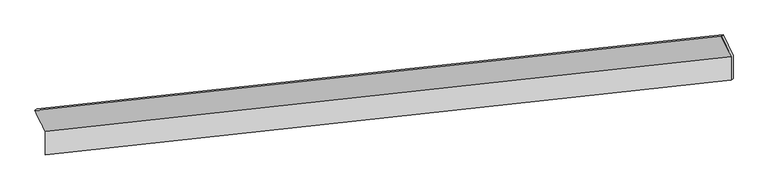
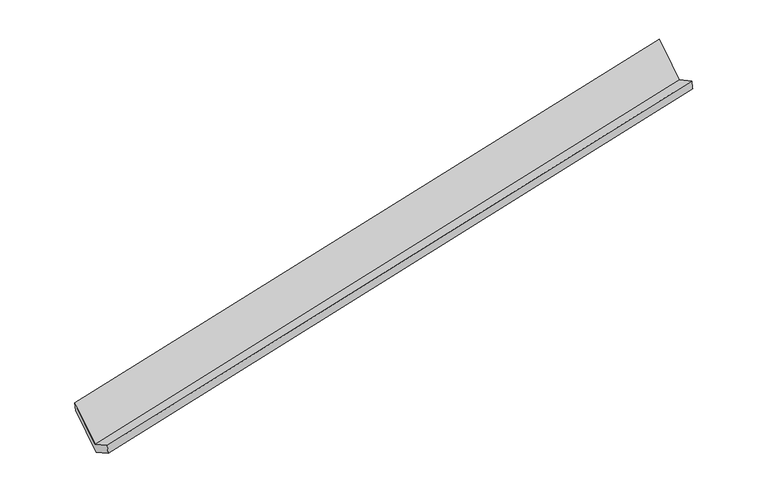
"""IFC4 building model written with IfcOpenShell, lengths in millimetres: proxy geometry."""

import ifcopenshell
import ifcopenshell.guid

model = None  # the IFC model being written
_history = None  # IfcOwnerHistory: only IFC2X3 demands one
_inside = {}  # id of a spatial element -> (the spatial element, [elements in it])
_under = {}  # id of a project, library or spatial element -> (it, [spatial elements below it])
_declared = {}  # id of a project -> (the project, [libraries it declares])
_typed = {}  # id of a type object -> (the type object, [elements of that type])
_made_of = {}  # id of a material, layer set ... -> (it, [elements and type objects made of it])


def new_model(schema):
    """Start an empty IFC model of exactly this schema.

    Asked for "IFC4X3", IfcOpenShell would pick the latest addendum, in which some entities
    have other attributes; the version numbers below select the first issue.
    IFC2X3 requires an IfcOwnerHistory on every rooted entity: one is made here for all.
    """
    global model, _history
    if schema == "IFC4X3":
        model = ifcopenshell.file(schema_version=(4, 3, 0, 0))
    else:
        model = ifcopenshell.file(schema=schema)
    _inside.clear()
    _under.clear()
    _declared.clear()
    _typed.clear()
    _made_of.clear()
    _history = None
    if model.schema == "IFC2X3":
        org = make("IfcOrganization", Name="unknown")
        user = make(
            "IfcPersonAndOrganization",
            ThePerson=make("IfcPerson", FamilyName="unknown"),
            TheOrganization=org,
        )
        app = make(
            "IfcApplication",
            ApplicationDeveloper=org,
            Version="unknown",
            ApplicationFullName="unknown",
            ApplicationIdentifier="unknown",
        )
        _history = make(
            "IfcOwnerHistory",
            OwningUser=user,
            OwningApplication=app,
            ChangeAction="ADDED",
            CreationDate=0,
        )
    return model


def make(cls, **values):
    """One entity of the class cls with the attributes given. An attribute that is None is left unset."""
    return model.create_entity(
        cls, **{name: value for name, value in values.items() if value is not None}
    )


def rooted(cls, **values):
    """An entity with a GlobalId (a new one), such as an element, a storey or a relation."""
    return make(cls, GlobalId=ifcopenshell.guid.new(), OwnerHistory=_history, **values)


def si_unit(unit_type, name, prefix=None):
    """IfcSIUnit, for example si_unit("LENGTHUNIT", "METRE", prefix="MILLI")."""
    return make("IfcSIUnit", UnitType=unit_type, Prefix=prefix, Name=name)


def assignment(units):
    """IfcUnitAssignment: the units of a project."""
    return None if units is None else make("IfcUnitAssignment", Units=units)


def point(xyz):
    """IfcCartesianPoint."""
    return None if xyz is None else make("IfcCartesianPoint", Coordinates=xyz)


def direction(xyz):
    """IfcDirection."""
    return None if xyz is None else make("IfcDirection", DirectionRatios=xyz)


def frame(location, z_axis=None, x_axis=None):
    """IfcAxis2Placement3D, a coordinate frame: its origin and axes. An axis left out is left unset."""
    return make(
        "IfcAxis2Placement3D",
        Location=point(location),
        Axis=direction(z_axis),
        RefDirection=direction(x_axis),
    )


def origin():
    """The frame at (0, 0, 0) with its axes left unset."""
    return frame((0.0, 0.0, 0.0))


def place(relative_to, where):
    """IfcLocalPlacement: puts the frame where relative to a parent placement (None: the world)."""
    return make(
        "IfcLocalPlacement", PlacementRelTo=relative_to, RelativePlacement=where
    )


def context(
    kind, dimensions, precision=None, world=None, true_north=None, identifier=None
):
    """IfcGeometricRepresentationContext, for example the 3D "Model" context."""
    return make(
        "IfcGeometricRepresentationContext",
        ContextIdentifier=identifier,
        ContextType=kind,
        CoordinateSpaceDimension=dimensions,
        Precision=precision,
        WorldCoordinateSystem=world,
        TrueNorth=true_north,
    )


def project(units=None, contexts=None):
    """IfcProject with its units and contexts."""
    return rooted(
        "IfcProject",
        Name="project",
        RepresentationContexts=contexts,
        UnitsInContext=assignment(units),
    )


def spatial(cls, under=None, at=None, **own):
    """A site, building, storey or space (cls), placed at a placement, below another one or the project."""
    s = rooted(cls, ObjectPlacement=at, **own)
    if under is not None:
        _under.setdefault(under.id(), (under, []))[1].append(s)
    return s


def shape(context_of_items, identifier, shape_type, items):
    """IfcShapeRepresentation: the items that make up one representation, for example the "Body"."""
    return make(
        "IfcShapeRepresentation",
        ContextOfItems=context_of_items,
        RepresentationIdentifier=identifier,
        RepresentationType=shape_type,
        Items=items,
    )


def source(mapping_origin, context_of_items, identifier, shape_type, items):
    """IfcRepresentationMap: a shape defined once, which mapped items show again and again."""
    return make(
        "IfcRepresentationMap",
        MappingOrigin=mapping_origin,
        MappedRepresentation=shape(context_of_items, identifier, shape_type, items),
    )


def transform(
    local_origin,
    x_axis=None,
    y_axis=None,
    z_axis=None,
    scale=None,
    scale2=None,
    scale3=None,
    uniform=True,
):
    """IfcCartesianTransformationOperator3D, or its non-uniform kind. x_axis, y_axis, z_axis: its Axis1, 2, 3."""
    if uniform:
        return make(
            "IfcCartesianTransformationOperator3D",
            Axis1=direction(x_axis),
            Axis2=direction(y_axis),
            LocalOrigin=point(local_origin),
            Scale=scale,
            Axis3=direction(z_axis),
        )
    return make(
        "IfcCartesianTransformationOperator3DnonUniform",
        Axis1=direction(x_axis),
        Axis2=direction(y_axis),
        LocalOrigin=point(local_origin),
        Scale=scale,
        Axis3=direction(z_axis),
        Scale2=scale2,
        Scale3=scale3,
    )


def mapped(mapping_source, mapping_target):
    """IfcMappedItem: shows the shape of a source again, moved by a transform."""
    return make(
        "IfcMappedItem", MappingSource=mapping_source, MappingTarget=mapping_target
    )


def made_of(thing, what):
    """Note that an element or type object is made of a material, layer set ...; save() writes the relation."""
    if what is not None:
        _made_of.setdefault(what.id(), (what, []))[1].append(thing)
    return thing


def element(
    cls,
    number,
    at=None,
    inside=None,
    cuts=None,
    type_object=None,
    material=None,
    context=None,
    identifier="Body",
    shape_type=None,
    held_by="IfcProductDefinitionShape",
    body=None,
    shapes=None,
    **own,
):
    """One element of the class cls, such as IfcWall. Its Tag is "e" and its number.

    at: its placement. inside: the storey or other place that contains it. cuts: it is an
    opening in that element (IfcRelVoidsElement). A single representation is given by context,
    identifier, shape_type and body (its items); several are given by shapes. held_by: the class
    of the entity that holds the representations. save() writes the other relations.
    """
    e = rooted(cls, Tag="e%d" % number, ObjectPlacement=at, **own)
    if body is not None:
        shapes = [shape(context, identifier, shape_type, body)]
    if shapes is not None:
        e.Representation = make(held_by, Representations=shapes)
    if inside is not None:
        _inside.setdefault(inside.id(), (inside, []))[1].append(e)
    if cuts is not None:
        rooted(
            "IfcRelVoidsElement", RelatingBuildingElement=cuts, RelatedOpeningElement=e
        )
    if type_object is not None:
        _typed.setdefault(type_object.id(), (type_object, []))[1].append(e)
    return made_of(e, material)


def aggregate(whole, parts):
    """IfcRelAggregates: a whole, such as a stair, and the parts it consists of."""
    return rooted("IfcRelAggregates", RelatingObject=whole, RelatedObjects=parts)


def save(model, path):
    """Write the relations noted so far, then the file.

    IfcRelAggregates (storeys below a building ...), IfcRelContainedInSpatialStructure (elements
    in a storey), IfcRelDefinesByType, IfcRelAssociatesMaterial and IfcRelDeclares: one each for
    every whole, place, type object, material and project.
    """
    for whole, parts in _under.values():
        aggregate(whole, parts)
    for where, things in _inside.values():
        rooted(
            "IfcRelContainedInSpatialStructure",
            RelatedElements=things,
            RelatingStructure=where,
        )
    for kind, things in _typed.values():
        rooted("IfcRelDefinesByType", RelatedObjects=things, RelatingType=kind)
    for what, things in _made_of.values():
        rooted("IfcRelAssociatesMaterial", RelatedObjects=things, RelatingMaterial=what)
    for by, libraries in _declared.values():
        rooted("IfcRelDeclares", RelatingContext=by, RelatedDefinitions=libraries)
    model.write(path)


def plane_surface(at):
    """IfcPlane: the flat surface through the origin of the frame at, square to its z axis."""
    return make("IfcPlane", Position=at)


def spline_surface(u_degree, v_degree, points, u_multiplicities, v_multiplicities, u_knots, v_knots, weights=None):
    """IfcBSplineSurfaceWithKnots; with weights, IfcRationalBSplineSurfaceWithKnots. points: one row for each step in u."""
    own = dict(
        UDegree=u_degree,
        VDegree=v_degree,
        ControlPointsList=[[point(p) for p in row] for row in points],
        SurfaceForm="UNSPECIFIED",
        UClosed=False,
        VClosed=False,
        SelfIntersect=False,
        UMultiplicities=u_multiplicities,
        VMultiplicities=v_multiplicities,
        UKnots=u_knots,
        VKnots=v_knots,
        KnotSpec="UNSPECIFIED",
    )
    if weights is None:
        return make("IfcBSplineSurfaceWithKnots", **own)
    return make("IfcRationalBSplineSurfaceWithKnots", WeightsData=weights, **own)


def advanced_brep(points, edges, surfaces, faces):
    """IfcAdvancedBrep: a solid bounded by faces that lie on surfaces and meet in shared edges.

    An edge is (start, end): straight between two places in points (the first is 0);
    or (start, end, curve); or (start, end, curve, False) where it runs against its curve.
    A face is (place in surfaces, loops), or (place, loops, False) where it looks against
    its surface's normal. A loop lists edges by number (the first is 1), with a minus sign
    where the edge is run from its end to its start. The first loop is the outer one.
    """
    corners = [point(p) for p in points]
    vertices = [make("IfcVertexPoint", VertexGeometry=c) for c in corners]
    made = []
    for start, end, *more in edges:
        made.append(
            make(
                "IfcEdgeCurve",
                EdgeStart=vertices[start],
                EdgeEnd=vertices[end],
                EdgeGeometry=more[0] if more else make("IfcPolyline", Points=[corners[start], corners[end]]),
                SameSense=more[1] if len(more) > 1 else True,
            )
        )
    hull = []
    for where, loops, *sense in faces:
        bounds = []
        for j, loop in enumerate(loops):
            ring = [make("IfcOrientedEdge", EdgeElement=made[abs(k) - 1], Orientation=k > 0) for k in loop]
            bounds.append(
                make(
                    "IfcFaceOuterBound" if j == 0 else "IfcFaceBound",
                    Bound=make("IfcEdgeLoop", EdgeList=ring),
                    Orientation=True,
                )
            )
        hull.append(make("IfcAdvancedFace", Bounds=bounds, FaceSurface=surfaces[where], SameSense=sense[0] if sense else True))
    return make("IfcAdvancedBrep", Outer=make("IfcClosedShell", CfsFaces=hull))


def generic_models_f5ef7091(model_context):
    return source(origin(), model_context, "Body", "AdvancedBrep", [
        advanced_brep(
        [(-8490.3961733, -2122.8493791, 590.3300987), (-8490.4155, -2509.0481492, 799.1555183), (2845.8890082, -1274.2974605, 3085.1673181), (2845.908555, -883.7004881, 2873.9637024), (-8456.4010212, -2480.0240044, 615.1509764), (2877.0950566, -1249.4955559, 2914.3783033), (-8456.3819268, -2098.4671953, 408.8355582), (2877.114371, -863.5405444, 2705.684689), (-8625.8391262, -1747.5842886, 1057.7377477), (2715.0904419, -521.6093505, 3338.0323959), (-8657.697763, -1776.4299394, 1230.9778152), (2683.8029156, -541.5968548, 3506.6303086)],
        [
            (0, 1),
            (1, 2),
            (2, 3),
            (3, 0),
            (1, 4),
            (4, 5),
            (5, 2),
            (4, 6),
            (6, 7),
            (7, 5),
            (6, 8),
            (8, 9),
            (9, 7),
            (8, 10),
            (10, 11),
            (11, 9),
            (10, 0),
            (3, 11),
        ],
        [
            plane_surface(frame((-8490.4058366, -2315.9487641, 694.7428085), z_axis=(-0.22339749344485496, 0.46362725499351826, 0.8574049966904388), x_axis=(-4.402013150098727e-05, -0.879640449463116, 0.4756392306470896))),
            spline_surface(1, 1, [[(-8490.4155, -2509.0481492, 799.1555183), (2845.8890082, -1274.2974605, 3085.1673181)], [(-8456.4010212, -2480.0240044, 615.1509764), (2877.0950566, -1249.4955559, 2914.3783033)]], [2, 2], [2, 2], [0.0, 1.0], [0.0, 1.0]),
            plane_surface(frame((-8456.391474, -2289.2455998, 511.9932673), z_axis=(0.2242356273292445, -0.4635357406877068, -0.857235673861838), x_axis=(4.4020131646387986e-05, 0.8796404494630995, -0.47563923064712027))),
            spline_surface(1, 1, [[(-8456.3819268, -2098.4671953, 408.8355582), (2877.114371, -863.5405444, 2705.684689)], [(-8625.8391262, -1747.5842886, 1057.7377477), (2715.0904419, -521.6093505, 3338.0323959)]], [2, 2], [2, 2], [0.0, 1.0], [0.0, 1.0]),
            spline_surface(1, 1, [[(-8625.8391262, -1747.5842886, 1057.7377477), (2715.0904419, -521.6093505, 3338.0323959)], [(-8657.697763, -1776.4299394, 1230.9778152), (2683.8029156, -541.5968548, 3506.6303086)]], [2, 2], [2, 2], [0.0, 1.0], [0.0, 1.0]),
            spline_surface(1, 1, [[(-8657.697763, -1776.4299394, 1230.9778152), (2683.8029156, -541.5968548, 3506.6303086)], [(-8490.3961733, -2122.8493791, 590.3300987), (2845.908555, -883.7004881, 2873.9637024)]], [2, 2], [2, 2], [0.0, 1.0], [0.0, 1.0]),
            plane_surface(frame((2807.4833914, -889.0400424, 3070.6427862), z_axis=(0.9755291407022617, 0.10454110658667057, 0.19342712497046852), x_axis=(-0.18123262716966113, -0.11577738312611455, 0.9766014194161564))),
            plane_surface(frame((-8529.5219184, -2122.4004927, 783.6979524), z_axis=(-0.9746164732145315, -0.10644887547342495, -0.19695524123341268), x_axis=(-0.22388105815610326, 0.4635744994913915, 0.8573073866590731))),
        ],
        [
            (0, [[1, 2, 3, 4]]),
            (1, [[5, 6, 7, -2]]),
            (2, [[8, 9, 10, -6]]),
            (3, [[11, 12, 13, -9]]),
            (4, [[14, 15, 16, -12]]),
            (5, [[17, -4, 18, -15]]),
            (6, [[-16, -18, -3, -7, -10, -13]]),
            (7, [[-17, -14, -11, -8, -5, -1]]),
        ],
    ),
    ])


if __name__ == "__main__":
    model = new_model("IFC4")
    model_context = context("Model", 3, world=origin())
    ifc_project = project(units=[si_unit("LENGTHUNIT", "METRE", prefix="MILLI")], contexts=[model_context])
    site = spatial("IfcSite", under=ifc_project)
    building = spatial("IfcBuilding", under=site)
    placement = place(None, origin())
    generic_models_shape = generic_models_f5ef7091(model_context)
    element("IfcBuildingElementProxy", 1, Name="Generic Models", at=placement, inside=building, context=model_context, shape_type="MappedRepresentation", body=[
        mapped(generic_models_shape, transform((0.0, 0.0, 0.0), x_axis=(1.0, 0.0, 0.0), y_axis=(0.0, 1.0, 0.0), z_axis=(0.0, 0.0, 1.0))),
    ])
    save(model, "model.ifc")
